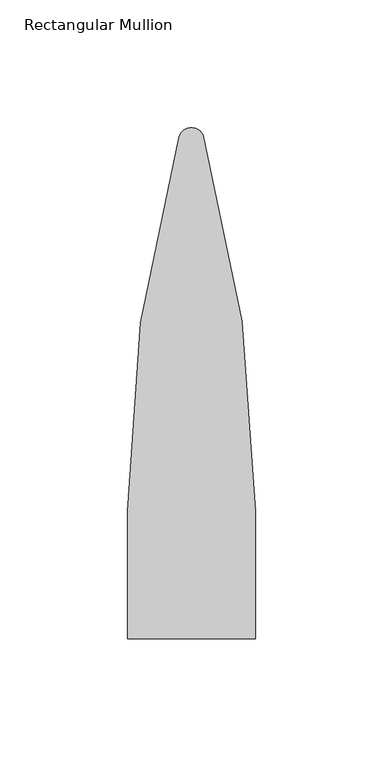
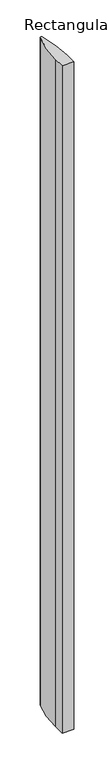
"""IFC4 building model written with IfcOpenShell, lengths in millimetres: member geometry, Rectangular Mullion."""

from ifc_helpers import new_model, si_unit, point, frame, frame_2d, origin, place, context, project, spatial, polyline, circle_curve, trimmed, segment, composite_curve, outline, extrude, source, transform, mapped, element, save


def rectangular_mullion_2140d512(model_context):
    return source(origin(), model_context, "Body", "SweptSolid", [
        extrude(outline(composite_curve([segment(polyline([(25.0, 0.0), (-25.0, 0.0), (-25.0, 49.8999964)]), True, "CONTINUOUS"), segment(trimmed(circle_curve(frame_2d((518.3163576, 49.8999964)), 543.3163576), [point((-25.0, 49.8999964))], [point((-4.9114327, 196.2739828))], False, "CARTESIAN"), True, "CONTINUOUS"), segment(trimmed(circle_curve(frame_2d((0.0, 194.9)), 5.1), [point((-4.9114327, 196.2739828))], [point((4.5390659, 197.2252701))], False, "CARTESIAN"), True, "CONTINUOUS"), segment(trimmed(circle_curve(frame_2d((-515.6250258, 49.8999964)), 540.6250258), [point((4.5390659, 197.2252701))], [point((25.0, 49.8999964))], False, "CARTESIAN"), True, "CONTINUOUS"), segment(polyline([(25.0, 49.8999964), (25.0, 0.0)]), True, "CONTINUOUS")], self_intersect=False)), frame((0.0, 0.0, -3000.0), z_axis=(0.0, 0.0, 1.0), x_axis=(1.0, 0.0, 0.0)), (0.0, 0.0, 1.0), 3000.0),
    ])


if __name__ == "__main__":
    model = new_model("IFC4")
    model_context = context("Model", 3, world=origin())
    ifc_project = project(units=[si_unit("LENGTHUNIT", "METRE", prefix="MILLI")], contexts=[model_context])
    site = spatial("IfcSite", under=ifc_project)
    building = spatial("IfcBuilding", under=site)
    placement = place(None, origin())
    rectangular_mullion_shape = rectangular_mullion_2140d512(model_context)
    element("IfcMember", 1, ObjectType="Rectangular Mullion", at=placement, inside=building, context=model_context, shape_type="MappedRepresentation", body=[
        mapped(rectangular_mullion_shape, transform((0.0, 0.0, 0.0), x_axis=(1.0, 0.0, 0.0), y_axis=(0.0, 1.0, 0.0), z_axis=(0.0, 0.0, 1.0))),
    ])
    save(model, "model.ifc")
